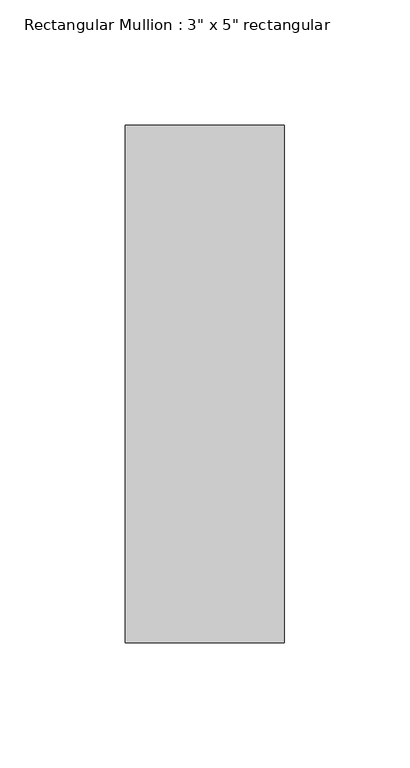
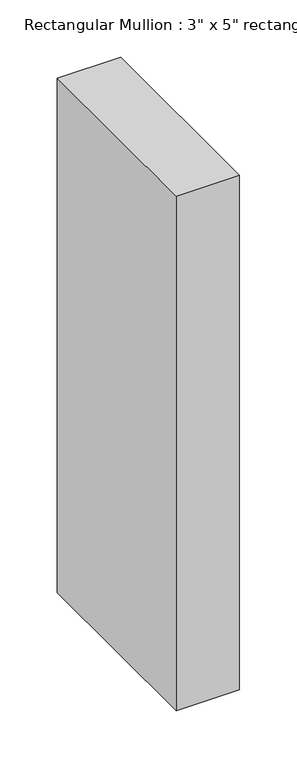
"""IFC4 building model written with IfcOpenShell, lengths in millimetres: member geometry."""

from ifc_helpers import new_model, si_unit, frame, origin, place, context, project, spatial, polyline, outline, extrude, source, transform, mapped, element, save


def member_a50f3531(model_context):
    return source(origin(), model_context, "Body", "SweptSolid", [
        extrude(outline(polyline([(31.75, 90.551), (31.75, -115.951), (-31.75, -115.951), (-31.75, 90.551), (31.75, 90.551)])), frame((0.0, 0.0, -546.1), z_axis=(0.0, 0.0, 1.0), x_axis=(1.0, 0.0, 0.0)), (0.0, 0.0, 1.0), 546.1),
    ])


if __name__ == "__main__":
    model = new_model("IFC4")
    model_context = context("Model", 3, world=origin())
    ifc_project = project(units=[si_unit("LENGTHUNIT", "METRE", prefix="MILLI")], contexts=[model_context])
    site = spatial("IfcSite", under=ifc_project)
    building = spatial("IfcBuilding", under=site)
    placement = place(None, origin())
    member_shape = member_a50f3531(model_context)
    element("IfcMember", 1, ObjectType="Rectangular Mullion : 3\" x 5\" rectangular", at=placement, inside=building, context=model_context, shape_type="MappedRepresentation", body=[
        mapped(member_shape, transform((0.0, 0.0, 0.0), x_axis=(1.0, 0.0, 0.0), y_axis=(0.0, 1.0, 0.0), z_axis=(0.0, 0.0, 1.0))),
    ])
    save(model, "model.ifc")
